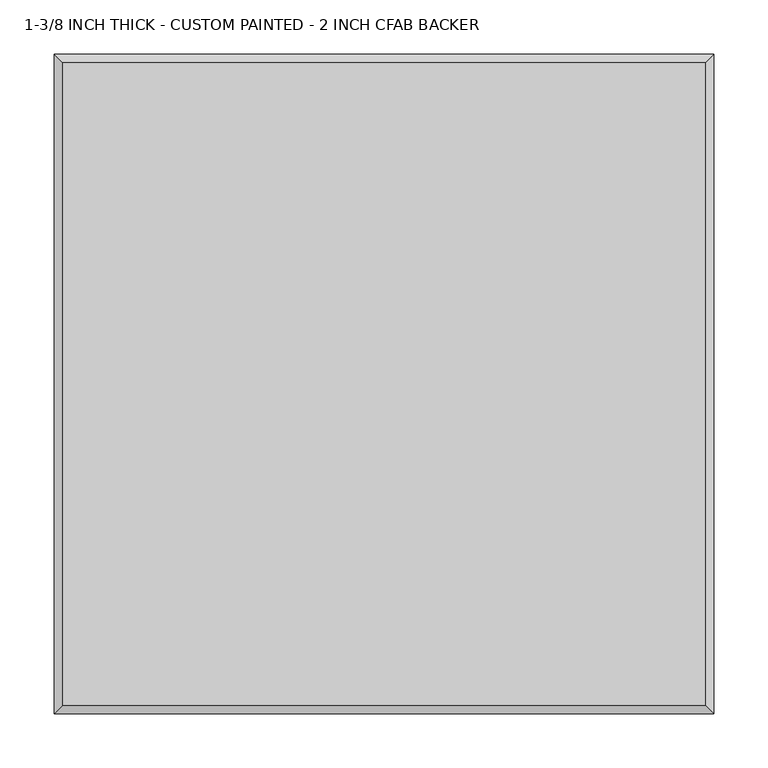
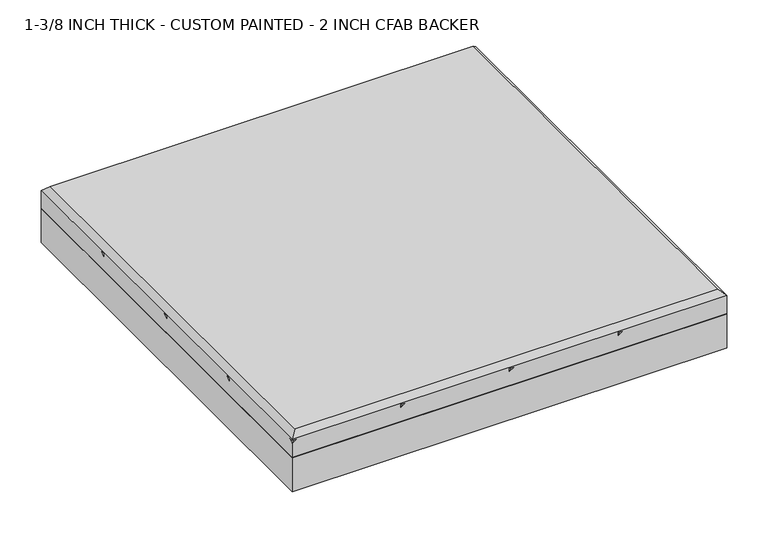
"""IFC4 building model written with IfcOpenShell, lengths in millimetres: proxy geometry, 1-3/8 INCH THICK - CUSTOM PAINTED - 2 INCH CFAB BACKER."""

from ifc_helpers import new_model, si_unit, frame, origin, place, context, project, spatial, polyline, outline, extrude, faceted_brep, source, transform, mapped, element, save


def proxy_1_3_8_inch_thick_custom_painted_2_inch_cfab_backer_8d25067c(model_context):
    return source(origin(), model_context, "Body", "SolidModel", [
        extrude(outline(polyline([(-304.8, 304.8), (304.8, 304.8), (304.8, -304.8), (-304.8, -304.8), (-304.8, 304.8)])), frame((0.0, 0.0, -50.8), z_axis=(0.0, 0.0, 1.0), x_axis=(1.0, 0.0, 0.0)), (0.0, 0.0, 1.0), 50.8),
        faceted_brep([(296.799, 296.799, 34.925), (-296.799, 296.799, 34.925), (-296.799, -296.799, 34.925), (296.799, -296.799, 34.925), (-304.8, 304.8, 0.0), (304.8, 304.8, 0.0), (304.8, -304.8, 0.0), (-304.8, -304.8, 0.0), (-304.8, -304.8, 21.3995359), (-304.8, -299.1424894, 25.4), (-304.8, -304.8, 25.4), (-304.8, -304.8, 26.924), (-304.8, 304.8, 26.924), (-304.8, -152.3999238, 21.3996078), (-304.8, -146.7425148, 25.4), (-304.8, -152.3999238, 25.4), (-304.8, 7.62e-05, 21.3996078), (-304.8, 5.6574852, 25.4), (-304.8, 7.62e-05, 25.4), (-304.8, 152.4000762, 21.3996078), (-304.8, 158.0574852, 25.4), (-304.8, 152.4000762, 25.4), (304.8, -304.8, 26.924), (-299.1423878, -304.8, 25.4), (-146.7424132, -304.8, 25.4), (-152.3999577, -304.8, 21.399512), (-152.3999238, -304.8, 25.4), (5.6575868, -304.8, 25.4), (4.23e-05, -304.8, 21.399512), (7.62e-05, -304.8, 25.4), (158.0575868, -304.8, 25.4), (152.4000423, -304.8, 21.399512), (152.4000762, -304.8, 25.4), (304.8, 304.8, 21.3995359), (304.8, 299.1423878, 25.4), (304.8, 304.8, 25.4), (304.8, 304.8, 26.924), (304.8, 152.4000762, 25.4), (304.8, 152.4000762, 21.3995), (304.8, 146.7424132, 25.4), (304.8, 7.62e-05, 25.4), (304.8, 7.62e-05, 21.3995), (304.8, -5.6575868, 25.4), (304.8, -152.3999238, 25.4), (304.8, -152.3999238, 21.3995), (304.8, -158.0575868, 25.4), (299.1424894, 304.8, 25.4), (152.4000762, 304.8, 21.3995), (152.4000762, 304.8, 25.4), (146.7425148, 304.8, 25.4), (7.62e-05, 304.8, 21.3995), (7.62e-05, 304.8, 25.4), (-5.6574852, 304.8, 25.4), (-152.3999238, 304.8, 21.3995), (-152.3999238, 304.8, 25.4), (-158.0574852, 304.8, 25.4), (301.9712701, 155.2288061, 25.4), (-155.2287299, -301.9711939, 25.4), (301.9712701, 2.8288061, 25.4), (-2.8287299, -301.9711939, 25.4), (301.9712701, -149.5711939, 25.4), (149.5712701, -301.9711939, 25.4), (155.2288569, 301.9712193, 25.4), (-301.9711431, -155.2287807, 25.4), (2.8288569, 301.9712193, 25.4), (-301.9711431, -2.8287807, 25.4), (-149.5711431, 301.9712193, 25.4), (-301.9711431, 149.5712193, 25.4)], [[[0, 1, 2, 3]], [[4, 5, 6, 7]], [[4, 7, 8, 9, 10, 11, 12], [13, 14, 15], [16, 17, 18], [19, 20, 21]], [[7, 6, 22, 11, 10, 23, 8], [24, 25, 26], [27, 28, 29], [30, 31, 32]], [[6, 5, 33, 34, 35, 36, 22], [37, 38, 39], [40, 41, 42], [43, 44, 45]], [[5, 4, 12, 36, 35, 46, 33], [47, 48, 49], [50, 51, 52], [53, 54, 55]], [[12, 1, 0, 36]], [[1, 12, 11, 2]], [[2, 11, 22, 3]], [[36, 0, 3, 22]], [[8, 33, 46, 9]], [[33, 8, 23, 34]], [[38, 56, 57, 25]], [[38, 25, 24, 39]], [[41, 58, 59, 28]], [[41, 28, 27, 42]], [[44, 60, 61, 31]], [[44, 31, 30, 45]], [[62, 47, 13, 63]], [[13, 47, 49, 14]], [[64, 50, 16, 65]], [[16, 50, 52, 17]], [[66, 53, 19, 67]], [[19, 53, 55, 20]], [[34, 23, 10, 9, 46, 35]], [[56, 38, 37]], [[57, 56, 37, 39, 24, 26]], [[25, 57, 26]], [[58, 41, 40]], [[59, 58, 40, 42, 27, 29]], [[28, 59, 29]], [[60, 44, 43]], [[61, 60, 43, 45, 30, 32]], [[31, 61, 32]], [[47, 62, 48]], [[62, 63, 15, 14, 49, 48]], [[63, 13, 15]], [[50, 64, 51]], [[64, 65, 18, 17, 52, 51]], [[65, 16, 18]], [[53, 66, 54]], [[66, 67, 21, 20, 55, 54]], [[67, 19, 21]]]),
    ])


if __name__ == "__main__":
    model = new_model("IFC4")
    model_context = context("Model", 3, world=origin())
    ifc_project = project(units=[si_unit("LENGTHUNIT", "METRE", prefix="MILLI")], contexts=[model_context])
    site = spatial("IfcSite", under=ifc_project)
    building = spatial("IfcBuilding", under=site)
    placement = place(None, origin())
    proxy_1_3_8_inch_thick_custom_painted_2_inch_cfab_backer_shape = proxy_1_3_8_inch_thick_custom_painted_2_inch_cfab_backer_8d25067c(model_context)
    element("IfcBuildingElementProxy", 1, Name="1-3/8 INCH THICK - CUSTOM PAINTED - 2 INCH CFAB BACKER", ObjectType="1-3/8 INCH THICK - CUSTOM PAINTED - 2 INCH CFAB BACKER", at=placement, inside=building, context=model_context, shape_type="MappedRepresentation", body=[
        mapped(proxy_1_3_8_inch_thick_custom_painted_2_inch_cfab_backer_shape, transform((0.0, 0.0, 0.0), x_axis=(1.0, 0.0, 0.0), y_axis=(0.0, 1.0, 0.0), z_axis=(0.0, 0.0, 1.0))),
    ])
    save(model, "model.ifc")
